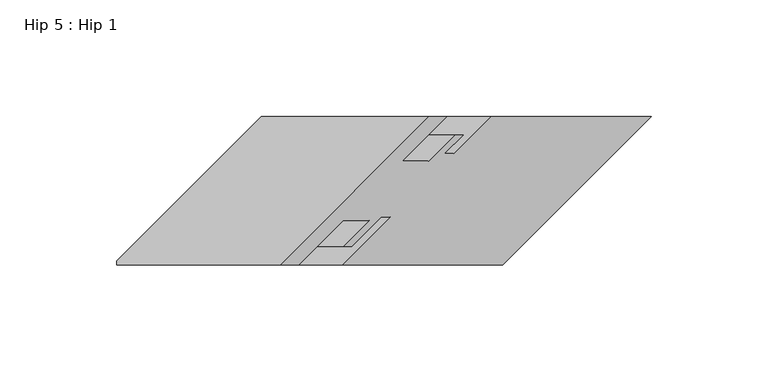
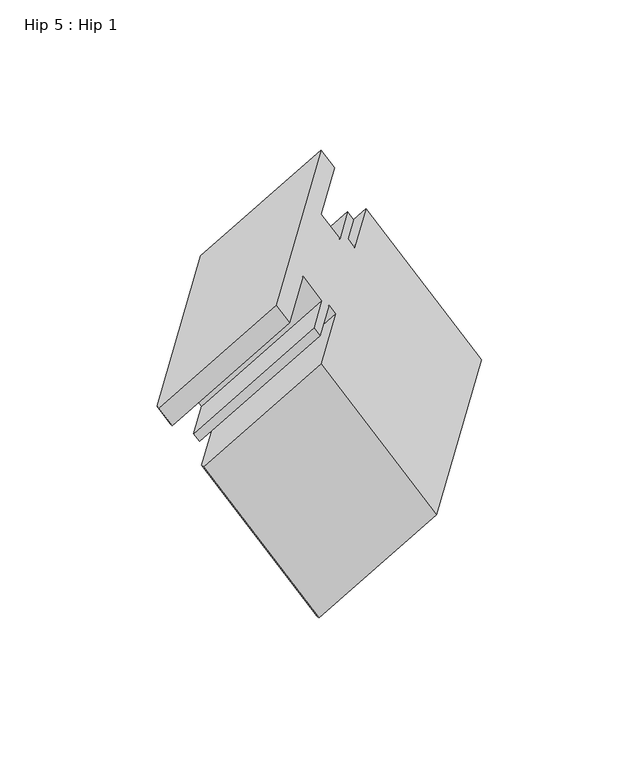
"""IFC4 building model written with IfcOpenShell, lengths in millimetres: proxy geometry, Hip 5 : Hip 1."""

from ifc_helpers import new_model, si_unit, origin, place, context, project, spatial, faceted_brep, source, transform, mapped, element, save


def hip_5_hip_1_e157fcab(model_context):
    return source(origin(), model_context, "Body", "Brep", [
        faceted_brep([(11544.3985266, 10711.1310697, 949.4438947), (11544.3985266, 10709.3779755, 949.4438947), (11614.2640799, 10709.3779755, 989.7807908), (11677.7640799, 10772.8779755, 1026.4425329), (11606.1454323, 10772.8779755, 985.0934874), (11552.3360266, 10709.3779755, 935.6957415), (11622.2015799, 10709.3779755, 976.0326375), (11552.3360266, 10711.1310697, 935.6957415), (11569.6329323, 10728.4279755, 945.6821147), (11641.2515799, 10728.4279755, 987.0311601), (11580.8724323, 10728.4279755, 926.2147296), (11652.4910799, 10728.4279755, 967.5637751), (11569.7472323, 10717.3027755, 919.7915924), (11641.3658799, 10717.3027755, 961.1406379), (11573.3286323, 10717.3027755, 913.5884256), (11644.9472799, 10717.3027755, 954.9374711), (11585.867243, 10729.8413862, 920.8275959), (11657.4858906, 10729.8413862, 962.1766413), (11589.816943, 10729.8413862, 913.9865148), (11661.4355906, 10729.8413862, 955.3355603), (11571.1066266, 10711.1310697, 903.1841086), (11571.1066266, 10709.3779755, 903.1841086), (11640.9721799, 10709.3779755, 943.5210046), (11639.7755266, 10709.3779755, 784.2460849), (11709.6410799, 10709.3779755, 824.5829809), (11639.7755266, 10711.1310697, 784.2460849), (11701.5224323, 10772.8779755, 819.8956775), (11773.1410799, 10772.8779755, 861.244723), (11632.8535323, 10772.8779755, 938.8337012), (11704.4721799, 10772.8779755, 980.1827467), (11616.9785323, 10757.0029755, 929.6682657), (11688.5971799, 10757.0029755, 971.0173112), (11613.0288323, 10757.0029755, 936.5093468), (11684.6474799, 10757.0029755, 977.8583923), (11620.9790323, 10764.9531755, 941.0993969), (11692.5976799, 10764.9531755, 982.4484424), (11617.3976323, 10764.9531755, 947.3025637), (11689.0162799, 10764.9531755, 988.6516091), (11606.2724323, 10753.8279755, 940.8794265), (11677.8910799, 10753.8279755, 982.2284719), (11595.0329323, 10753.8279755, 960.3468115), (11666.6515799, 10753.8279755, 1001.695857), (11614.0829323, 10772.8779755, 971.3453341), (11685.7015799, 10772.8779755, 1012.6943796)], [[[0, 1, 2, 3, 4]], [[1, 5, 6, 2]], [[5, 7, 8, 9, 6]], [[9, 8, 10, 11]], [[11, 10, 12, 13]], [[13, 12, 14, 15]], [[15, 14, 16, 17]], [[17, 16, 18, 19]], [[20, 21, 22, 19, 18]], [[21, 23, 24, 22]], [[23, 25, 26, 27, 24]], [[27, 26, 28, 29]], [[29, 28, 30, 31]], [[31, 30, 32, 33]], [[33, 32, 34, 35]], [[35, 34, 36, 37]], [[37, 36, 38, 39]], [[39, 38, 40, 41]], [[41, 40, 42, 43]], [[43, 42, 4, 3]], [[25, 20, 18, 16, 14, 12, 10, 8, 7, 0, 4, 42, 40, 38, 36, 34, 32, 30, 28, 26]], [[3, 2, 6, 9, 11, 13, 15, 17, 19, 22, 24, 27, 29, 31, 33, 35, 37, 39, 41, 43]], [[5, 1, 0, 7]], [[23, 21, 20, 25]]]),
    ])


if __name__ == "__main__":
    model = new_model("IFC4")
    model_context = context("Model", 3, world=origin())
    ifc_project = project(units=[si_unit("LENGTHUNIT", "METRE", prefix="MILLI")], contexts=[model_context])
    site = spatial("IfcSite", under=ifc_project)
    building = spatial("IfcBuilding", under=site)
    placement = place(None, origin())
    hip_5_hip_1_shape = hip_5_hip_1_e157fcab(model_context)
    element("IfcBuildingElementProxy", 1, Name="Hip 5 : Hip 1", ObjectType="Hip 5 : Hip 1", at=placement, inside=building, context=model_context, shape_type="MappedRepresentation", body=[
        mapped(hip_5_hip_1_shape, transform((0.0, 0.0, 0.0), x_axis=(1.0, 0.0, 0.0), y_axis=(0.0, 1.0, 0.0), z_axis=(0.0, 0.0, 1.0))),
    ])
    save(model, "model.ifc")
